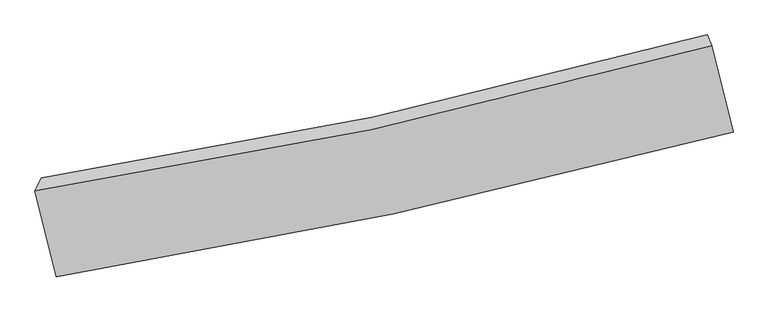
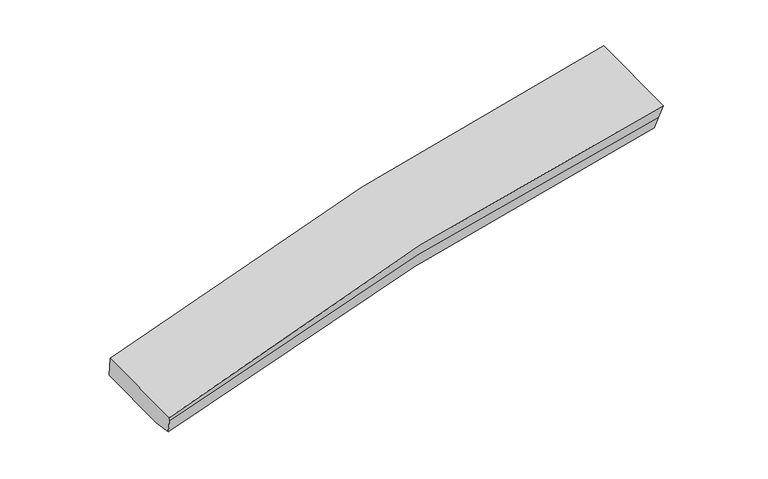
"""IFC4 building model written with IfcOpenShell, lengths in millimetres: proxy geometry."""

from ifc_helpers import new_model, si_unit, frame, origin, place, context, project, spatial, source, transform, mapped, element, save
from ifc_brep_helpers import plane_surface, spline_curve, spline_surface, advanced_brep


def generic_models_1cebaa45(model_context):
    return source(origin(), model_context, "Body", "AdvancedBrep", [
        advanced_brep(
        [(-1870.2132176, -1789.590475, 1922.855164), (-1748.1312039, -2281.0304857, 1747.6728955), (2118.1922485, -1450.9865351, 2152.8860794), (1995.5405294, -957.2531806, 2328.8858499), (-1834.7661955, -1715.8374437, 1740.6578052), (1969.4215852, -896.0137711, 2138.8885995), (-1737.7070423, -2106.5481624, 1601.3822303), (2066.6455088, -1287.3877717, 1999.3765863), (-1719.5342948, -2221.5301777, 1600.6850525), (2092.0733042, -1389.7471257, 1962.888829), (-1740.4468845, -2265.0420664, 1708.175566), (2103.9971701, -1417.7042474, 2049.6267042)],
        [
            (0, 1),
            (1, 2, spline_curve(3, [(-1748.1312039, -2281.0304857, 1747.6728955), (-1108.096706534, -2179.44584914, 1917.651355396), (-466.334593601, -2059.604356448, 2036.432595399), (822.430290305, -1783.024491165, 2171.788154477), (1469.442661548, -1626.184666869, 2188.0779758), (2118.1922485, -1450.9865351, 2152.8860794)], [4, 2, 4], [0.0, 6.537133769991887, 13.09240547646192])),
            (2, 3),
            (3, 0, spline_curve(3, [(1995.5405294, -957.2531806, 2328.8858499), (1348.44729966, -1139.118963065, 2361.700947248), (702.309566859, -1299.479635621, 2344.156058696), (-586.269735255, -1576.806559234, 2208.534197908), (-1228.716584801, -1693.891651206, 2090.735524275), (-1870.2132176, -1789.590475, 1922.855164)], [4, 2, 4], [0.0, 6.555271706470033, 13.09240547646192])),
            (4, 0),
            (3, 5),
            (5, 4, spline_curve(3, [(1969.4215852, -896.0137711, 2138.8885995), (1332.892105256, -1072.975382582, 2165.30771883), (697.173652371, -1229.841673859, 2145.221064925), (-570.884459383, -1503.005180704, 2012.220466838), (-1203.228599895, -1619.413447189, 1899.563522828), (-1834.7661955, -1715.8374437, 1740.6578052)], [4, 2, 4], [0.0, 6.501686117537507, 12.985382565831504])),
            (6, 4),
            (5, 7),
            (7, 6, spline_curve(3, [(2066.6455088, -1287.3877717, 1999.3765863), (1426.075574843, -1448.084572835, 2031.593577817), (788.325924768, -1596.774298723, 2014.421601678), (-479.776006873, -1869.761408816, 1881.483883373), (-1110.143873836, -1994.125146719, 1765.991074254), (-1737.7070423, -2106.5481624, 1601.3822303)], [4, 2, 4], [0.0, 6.445154951853482, 12.872476651884138])),
            (8, 6),
            (7, 9),
            (9, 8, spline_curve(3, [(2092.0733042, -1389.7471257, 1962.888829), (1455.059639877, -1557.296585289, 1984.802449244), (818.47939736, -1710.462698465, 1965.476742666), (-452.054073662, -1987.644230613, 1844.51425396), (-1086.009697694, -2111.739134727, 1743.105368587), (-1719.5342948, -2221.5301777, 1600.6850525)], [4, 2, 4], [0.0, 6.447721752390894, 12.877603150817787])),
            (10, 8),
            (9, 11),
            (11, 10, spline_curve(3, [(2103.9971701, -1417.7042474, 2049.6267042), (1462.679491774, -1589.656872472, 2080.893149082), (821.206265386, -1746.321342955, 2067.97155758), (-460.27594554, -2028.682797369, 1953.910319802), (-1100.284070906, -2154.464266526, 1853.014865359), (-1740.4468845, -2265.0420664, 1708.175566)], [4, 2, 4], [0.0, 6.4788643301116275, 12.939802137123671])),
            (1, 10),
            (11, 2),
        ],
        [
            spline_surface(3, 3, [[(-1870.2132176, -1789.590475, 1922.855164), (-1228.7165847, -1693.891651245, 2090.735524346), (-586.269735236, -1576.806559155, 2208.534197862), (702.309566839, -1299.4796357, 2344.156058742), (1348.447299707, -1139.118963008, 2361.700947215), (1995.5405294, -957.2531806, 2328.8858499)], [(-1829.519213055, -1953.403811915, 1864.461074505), (-1188.509958651, -1855.743050558, 2033.04080135), (-546.291354703, -1737.739158263, 2151.166997048), (742.349807998, -1460.661254181, 2286.700090677), (1388.779086984, -1301.474197677, 2303.826623416), (2036.42443575, -1121.830965465, 2270.219259748)], [(-1788.825208445, -2117.217148785, 1806.066984995), (-1148.303332537, -2017.594449825, 1975.346078339), (-506.312974157, -1898.671757367, 2093.799796188), (782.39004917, -1621.842872658, 2229.244122567), (1429.110874311, -1463.829432251, 2245.952299573), (2077.30834215, -1286.408750235, 2211.552669552)], [(-1748.1312039, -2281.0304857, 1747.6728955), (-1108.096706487, -2179.445849137, 1917.651355343), (-466.334593624, -2059.604356475, 2036.432595374), (822.430290328, -1783.024491139, 2171.788154502), (1469.442661587, -1626.18466692, 2188.077975775), (2118.1922485, -1450.9865351, 2152.8860794)]], [4, 4], [4, 2, 4], [0.0, 1.7283745290840093], [0.0, 6.537133769991887, 13.09240547646192]),
            spline_surface(3, 3, [[(-1834.7661955, -1715.8374437, 1740.6578052), (-1203.228599922, -1619.413447089, 1899.563522736), (-570.88445934, -1503.005180755, 2012.220466928), (697.173652328, -1229.841673807, 2145.221064835), (1332.89210533, -1072.975382613, 2165.307718744), (1969.4215852, -896.0137711, 2138.8885995)], [(-1846.581869517, -1740.421787446, 1801.390258148), (-1211.724594831, -1644.23951512, 1963.287523288), (-576.012884629, -1527.605640212, 2077.658377243), (698.885623841, -1253.054327762, 2211.532729474), (1338.077170149, -1095.023242717, 2230.772128239), (1978.12789996, -916.426907572, 2202.221016305)], [(-1858.397543583, -1765.006131254, 1862.122711052), (-1220.220589791, -1669.065583214, 2027.011523794), (-581.141309946, -1552.206099698, 2143.096287548), (700.597595326, -1276.266981745, 2277.844394103), (1343.262234889, -1117.071102904, 2296.23653772), (1986.83421464, -936.840044128, 2265.553433095)], [(-1870.2132176, -1789.590475, 1922.855164), (-1228.7165847, -1693.891651245, 2090.735524346), (-586.269735236, -1576.806559155, 2208.534197862), (702.309566839, -1299.4796357, 2344.156058742), (1348.447299707, -1139.118963008, 2361.700947215), (1995.5405294, -957.2531806, 2328.8858499)]], [4, 4], [4, 2, 4], [0.0, 0.6899573505536596], [0.0, 6.483696448293997, 12.985382565831504]),
            spline_surface(3, 3, [[(-1737.7070423, -2106.5481624, 1601.3822303), (-1110.143873767, -1994.125146674, 1765.99107416), (-479.776006861, -1869.761408842, 1881.483883413), (788.325924757, -1596.774298697, 2014.421601637), (1426.075574859, -1448.084572916, 2031.59357772), (2066.6455088, -1287.3877717, 1999.3765863)], [(-1770.060093357, -1976.311256194, 1647.807421922), (-1141.172115809, -1869.22124684, 1810.515223674), (-510.145490999, -1747.509332825, 1925.062744587), (757.941833968, -1474.463423746, 2058.021422705), (1395.014418337, -1323.048176151, 2076.16495805), (2034.237534254, -1156.929771502, 2045.880590689)], [(-1802.413144443, -1846.074349906, 1694.232613578), (-1172.20035788, -1744.317346923, 1855.039373222), (-540.514975201, -1625.257256772, 1968.641605754), (727.557743116, -1352.152548759, 2101.621243767), (1363.953261852, -1198.011779378, 2120.736338414), (2001.829559746, -1026.471771298, 2092.384595111)], [(-1834.7661955, -1715.8374437, 1740.6578052), (-1203.228599922, -1619.413447089, 1899.563522736), (-570.88445934, -1503.005180755, 2012.220466928), (697.173652328, -1229.841673807, 2145.221064835), (1332.89210533, -1072.975382613, 2165.307718744), (1969.4215852, -896.0137711, 2138.8885995)]], [4, 4], [4, 2, 4], [0.0, 1.312254368169514], [0.0, 6.427321700030657, 12.872476651884138]),
            spline_surface(3, 3, [[(-1719.5342948, -2221.5301777, 1600.6850525), (-1086.009697672, -2111.73913482, 1743.105368555), (-452.054073735, -1987.644230635, 1844.514254026), (818.479397433, -1710.462698442, 1965.476742599), (1455.059639813, -1557.296585265, 1984.802449317), (2092.0733042, -1389.7471257, 1962.888829)], [(-1725.591877309, -2183.202839258, 1600.917445087), (-1094.054423046, -2072.534472096, 1750.733937077), (-461.294718121, -1948.349956702, 1856.837463801), (808.428239865, -1672.566565192, 1981.791695591), (1445.398284824, -1520.892581148, 2000.399492115), (2083.597372396, -1355.627341033, 1975.051414763)], [(-1731.649459791, -2144.875500842, 1601.149837713), (-1102.099148393, -2033.329809398, 1758.362505639), (-470.535362476, -1909.055682775, 1869.160673639), (798.377082325, -1634.670431947, 1998.106648646), (1435.736929848, -1484.488577033, 2015.996534922), (2075.121440604, -1321.507556367, 1987.214000537)], [(-1737.7070423, -2106.5481624, 1601.3822303), (-1110.143873767, -1994.125146674, 1765.99107416), (-479.776006861, -1869.761408842, 1881.483883413), (788.325924757, -1596.774298697, 2014.421601637), (1426.075574859, -1448.084572916, 2031.59357772), (2066.6455088, -1287.3877717, 1999.3765863)]], [4, 4], [4, 2, 4], [0.0, 0.41615343072411426], [0.0, 6.429881398426893, 12.877603150817787]),
            spline_surface(3, 3, [[(-1740.4468845, -2265.0420664, 1708.175566), (-1100.284070826, -2154.464266515, 1853.014865299), (-460.275945628, -2028.682797352, 1953.910319881), (821.206265474, -1746.321342973, 2067.9715575), (1462.67949185, -1589.656872433, 2080.893148979), (2103.9971701, -1417.7042474, 2049.6267042)], [(-1733.476021284, -2250.538103507, 1672.345394851), (-1095.525946459, -2140.222555957, 1816.378366402), (-457.535321667, -2015.00327513, 1917.444964619), (820.297309457, -1734.36846148, 2033.806619223), (1460.139541182, -1578.870110047, 2048.862915762), (2100.022548144, -1408.385206837, 2020.714079137)], [(-1726.505158016, -2236.034140593, 1636.515223649), (-1090.767822039, -2125.980845378, 1779.741867452), (-454.794697696, -2001.323752856, 1880.979609288), (819.38835345, -1722.415579935, 1999.641680876), (1457.599590481, -1568.083347651, 2016.832682534), (2096.047926156, -1399.066166263, 1991.801454063)], [(-1719.5342948, -2221.5301777, 1600.6850525), (-1086.009697672, -2111.73913482, 1743.105368555), (-452.054073735, -1987.644230635, 1844.514254026), (818.479397433, -1710.462698442, 1965.476742599), (1455.059639813, -1557.296585265, 1984.802449317), (2092.0733042, -1389.7471257, 1962.888829)]], [4, 4], [4, 2, 4], [0.0, 0.36984271976134586], [0.0, 6.460937807012043, 12.939802137123671]),
            spline_surface(3, 3, [[(-1748.1312039, -2281.0304857, 1747.6728955), (-1108.096706487, -2179.445849137, 1917.651355343), (-466.334593624, -2059.604356475, 2036.432595374), (822.430290328, -1783.024491139, 2171.788154502), (1469.442661587, -1626.18466692, 2188.077975775), (2118.1922485, -1450.9865351, 2152.8860794)], [(-1745.569764078, -2275.70101258, 1734.507118987), (-1105.492494578, -2171.11865491, 1896.105858649), (-464.315044304, -2049.297170081, 2008.925170187), (822.022282031, -1770.790108397, 2137.182622146), (1467.188271671, -1614.008735416, 2152.349700168), (2113.460555696, -1439.892439191, 2118.466287658)], [(-1743.008324322, -2270.37153952, 1721.341342513), (-1102.888282735, -2162.791460742, 1874.560361994), (-462.295494947, -2038.989983745, 1981.417745067), (821.614273771, -1758.555725714, 2102.577089856), (1464.933881767, -1601.832803938, 2116.621424586), (2108.728862904, -1428.798343309, 2084.046495942)], [(-1740.4468845, -2265.0420664, 1708.175566), (-1100.284070826, -2154.464266515, 1853.014865299), (-460.275945628, -2028.682797352, 1953.910319881), (821.206265474, -1746.321342973, 2067.9715575), (1462.67949185, -1589.656872433, 2080.893148979), (2103.9971701, -1417.7042474, 2049.6267042)]], [4, 4], [4, 2, 4], [0.0, 0.32537669917911405], [0.0, 6.514076035830755, 13.046226032132394]),
            plane_surface(frame((2043.8069168, -1173.5001531, 2145.8873394), z_axis=(0.9650168140697907, 0.2574373804341423, -0.0496844414057164), x_axis=(-0.2278402517444392, 0.9171688148962793, 0.32694064395052674))),
            plane_surface(frame((-1782.0703908, -2022.9073489, 1722.6506295), z_axis=(-0.9573877984971243, -0.14981671646084027, -0.2469079884445255), x_axis=(-0.22784025174444272, 0.9171688148962425, 0.32694064395062794))),
        ],
        [
            (0, [[1, 2, 3, 4]]),
            (1, [[5, -4, 6, 7]]),
            (2, [[8, -7, 9, 10]]),
            (3, [[11, -10, 12, 13]]),
            (4, [[14, -13, 15, 16]]),
            (5, [[17, -16, 18, -2]]),
            (6, [[-12, -9, -6, -3, -18, -15]]),
            (7, [[-1, -5, -8, -11, -14, -17]]),
        ],
    ),
    ])


if __name__ == "__main__":
    model = new_model("IFC4")
    model_context = context("Model", 3, world=origin())
    ifc_project = project(units=[si_unit("LENGTHUNIT", "METRE", prefix="MILLI")], contexts=[model_context])
    site = spatial("IfcSite", under=ifc_project)
    building = spatial("IfcBuilding", under=site)
    placement = place(None, origin())
    generic_models_shape = generic_models_1cebaa45(model_context)
    element("IfcBuildingElementProxy", 1, Name="Generic Models", at=placement, inside=building, context=model_context, shape_type="MappedRepresentation", body=[
        mapped(generic_models_shape, transform((0.0, 0.0, 0.0), x_axis=(1.0, 0.0, 0.0), y_axis=(0.0, 1.0, 0.0), z_axis=(0.0, 0.0, 1.0))),
    ])
    save(model, "model.ifc")
